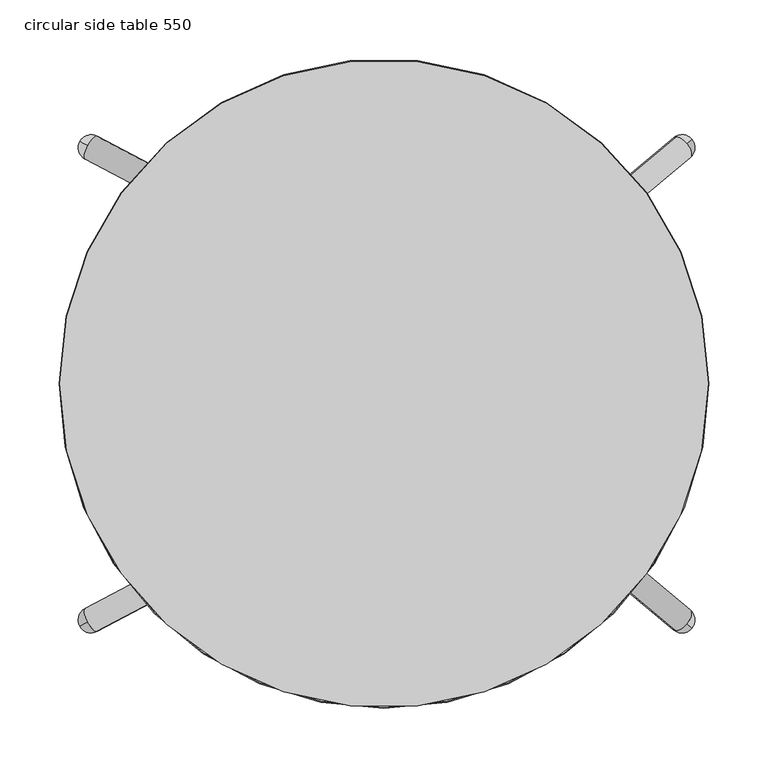
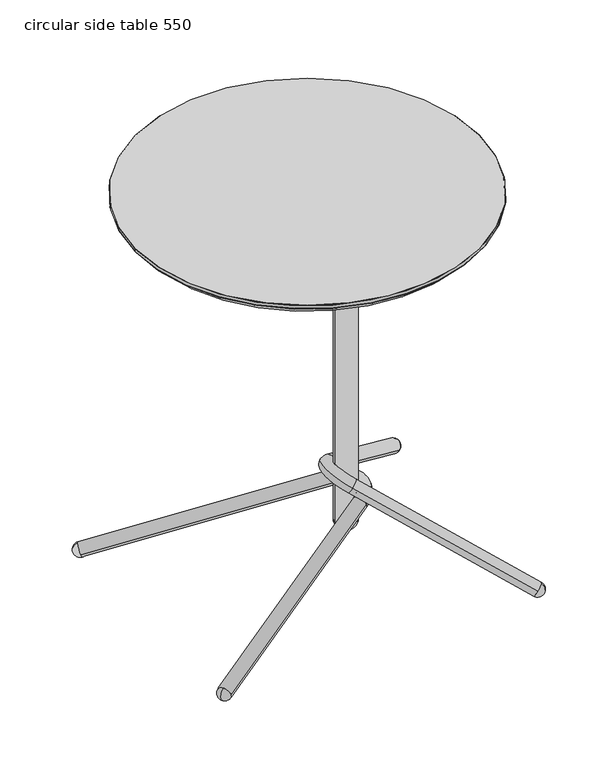
"""IFC4 building model written with IfcOpenShell, lengths in millimetres: furniture geometry, circular side table 550."""

from ifc_helpers import new_model, si_unit, point, frame, origin, place, context, project, spatial, polyline, circle_curve, ellipse_curve, trimmed, source, transform, mapped, element, save
from ifc_brep_helpers import plane_surface, cylinder_surface, revolved_surface, advanced_brep


def circular_side_table_550_7d80e540(model_context):
    return source(origin(), model_context, "Body", "AdvancedBrep", [
        advanced_brep(
        [(120.000041, 49.9999974, 631.9999893), (-39.999964, 49.9999974, 631.9999893), (-49.999964, 39.9999974, 631.9999893), (-49.999964, -40.0000034, 631.9999893), (-39.999964, -50.0000034, 631.9999893), (120.000041, -50.0000034, 631.9999893), (130.000041, -40.0000034, 631.9999893), (130.000041, 39.9999974, 631.9999893), (-47.4693331, 40.0000112, 631.9999893), (-32.5306167, 40.0000112, 631.9999893), (-47.4693331, -40.0000112, 631.9999893), (-32.5306167, -40.0000112, 631.9999893), (127.46941, 40.0000112, 631.9999893), (112.5306936, 40.0000112, 631.9999893), (127.46941, -40.0000112, 631.9999893), (112.5306936, -40.0000112, 631.9999893), (47.4693967, 40.0000112, 631.9999893), (32.5306803, 40.0000112, 631.9999893), (47.4693967, -40.0000112, 631.9999893), (32.5306803, -40.0000112, 631.9999893), (120.000041, 49.9999974, 627.0000038), (130.000041, 39.9999974, 627.0000038), (130.000041, -40.0000034, 627.0000038), (120.000041, -50.0000034, 627.0000038), (-39.999964, -50.0000034, 627.0000038), (-49.999964, -40.0000034, 627.0000038), (-49.999964, 39.9999974, 627.0000038), (-39.999964, 49.9999974, 627.0000038), (-47.4693331, 40.0000112, 627.0000038), (-32.5306167, 40.0000112, 627.0000038), (-47.4693331, -40.0000112, 627.0000038), (-32.5306167, -40.0000112, 627.0000038), (127.46941, 40.0000112, 627.0000038), (112.5306936, 40.0000112, 627.0000038), (127.46941, -40.0000112, 627.0000038), (112.5306936, -40.0000112, 627.0000038), (47.4693967, 40.0000112, 627.0000038), (32.5306803, 40.0000112, 627.0000038), (47.4693967, -40.0000112, 627.0000038), (32.5306803, -40.0000112, 627.0000038), (78.7484697, 0.0, 627.0000038), (43.7484682, 0.0, 627.0000038), (78.7484697, 0.0, 76.9999996), (43.7484682, 0.0, 76.9999996), (61.2484689, 0.0, 59.4999989)],
        [
            (0, 1),
            (1, 2, circle_curve(frame((-39.999964, 39.9999974, 631.9999893), z_axis=(0.0, 0.0, 1.0), x_axis=(1.0, 0.0, 0.0)), 10.0)),
            (2, 3),
            (3, 4, circle_curve(frame((-39.999964, -40.0000034, 631.9999893), z_axis=(0.0, 0.0, 1.0), x_axis=(1.0, 0.0, 0.0)), 10.0)),
            (4, 5),
            (5, 6, circle_curve(frame((120.000041, -40.0000034, 631.9999893), z_axis=(0.0, 0.0, 1.0), x_axis=(1.0, 0.0, 0.0)), 10.0)),
            (6, 7),
            (7, 0, circle_curve(frame((120.000041, 39.9999974, 631.9999893), z_axis=(0.0, 0.0, 1.0), x_axis=(1.0, 0.0, 0.0)), 10.0)),
            (8, 9, circle_curve(frame((-39.9999749, 40.0000112, 631.9999893), z_axis=(0.0, 0.0, -1.0), x_axis=(1.0, 0.0, 0.0)), 7.4693582)),
            (9, 8, circle_curve(frame((-39.9999749, 40.0000112, 631.9999893), z_axis=(0.0, 0.0, -1.0), x_axis=(1.0, 0.0, 0.0)), 7.4693582)),
            (10, 11, circle_curve(frame((-39.9999749, -40.0000112, 631.9999893), z_axis=(0.0, 0.0, -1.0), x_axis=(1.0, 0.0, 0.0)), 7.4693582)),
            (11, 10, circle_curve(frame((-39.9999749, -40.0000112, 631.9999893), z_axis=(0.0, 0.0, -1.0), x_axis=(1.0, 0.0, 0.0)), 7.4693582)),
            (12, 13, circle_curve(frame((120.0000518, 40.0000112, 631.9999893), z_axis=(0.0, 0.0, -1.0), x_axis=(-1.0, 0.0, 0.0)), 7.4693582)),
            (13, 12, circle_curve(frame((120.0000518, 40.0000112, 631.9999893), z_axis=(0.0, 0.0, -1.0), x_axis=(-1.0, 0.0, 0.0)), 7.4693582)),
            (14, 15, circle_curve(frame((120.0000518, -40.0000112, 631.9999893), z_axis=(0.0, 0.0, -1.0), x_axis=(-1.0, 0.0, 0.0)), 7.4693582)),
            (15, 14, circle_curve(frame((120.0000518, -40.0000112, 631.9999893), z_axis=(0.0, 0.0, -1.0), x_axis=(-1.0, 0.0, 0.0)), 7.4693582)),
            (16, 17, circle_curve(frame((40.0000385, 40.0000112, 631.9999893), z_axis=(0.0, 0.0, -1.0), x_axis=(-1.0, 0.0, 0.0)), 7.4693582)),
            (17, 16, circle_curve(frame((40.0000385, 40.0000112, 631.9999893), z_axis=(0.0, 0.0, -1.0), x_axis=(-1.0, 0.0, 0.0)), 7.4693582)),
            (18, 19, circle_curve(frame((40.0000385, -40.0000112, 631.9999893), z_axis=(0.0, 0.0, -1.0), x_axis=(-1.0, 0.0, 0.0)), 7.4693582)),
            (19, 18, circle_curve(frame((40.0000385, -40.0000112, 631.9999893), z_axis=(0.0, 0.0, -1.0), x_axis=(-1.0, 0.0, 0.0)), 7.4693582)),
            (20, 21, circle_curve(frame((120.000041, 39.9999974, 627.0000038), z_axis=(0.0, 0.0, -1.0), x_axis=(1.0, 0.0, 0.0)), 10.0)),
            (21, 22),
            (22, 23, circle_curve(frame((120.000041, -40.0000034, 627.0000038), z_axis=(0.0, 0.0, -1.0), x_axis=(1.0, 0.0, 0.0)), 10.0)),
            (23, 24),
            (24, 25, circle_curve(frame((-39.999964, -40.0000034, 627.0000038), z_axis=(0.0, 0.0, -1.0), x_axis=(1.0, 0.0, 0.0)), 10.0)),
            (25, 26),
            (26, 27, circle_curve(frame((-39.999964, 39.9999974, 627.0000038), z_axis=(0.0, 0.0, -1.0), x_axis=(1.0, 0.0, 0.0)), 10.0)),
            (27, 20),
            (28, 29, circle_curve(frame((-39.9999749, 40.0000112, 627.0000038), z_axis=(0.0, 0.0, 1.0), x_axis=(1.0, 0.0, 0.0)), 7.4693582)),
            (29, 28, circle_curve(frame((-39.9999749, 40.0000112, 627.0000038), z_axis=(0.0, 0.0, 1.0), x_axis=(1.0, 0.0, 0.0)), 7.4693582)),
            (30, 31, circle_curve(frame((-39.9999749, -40.0000112, 627.0000038), z_axis=(0.0, 0.0, 1.0), x_axis=(1.0, 0.0, 0.0)), 7.4693582)),
            (31, 30, circle_curve(frame((-39.9999749, -40.0000112, 627.0000038), z_axis=(0.0, 0.0, 1.0), x_axis=(1.0, 0.0, 0.0)), 7.4693582)),
            (32, 33, circle_curve(frame((120.0000518, 40.0000112, 627.0000038), z_axis=(0.0, 0.0, 1.0), x_axis=(-1.0, 0.0, 0.0)), 7.4693582)),
            (33, 32, circle_curve(frame((120.0000518, 40.0000112, 627.0000038), z_axis=(0.0, 0.0, 1.0), x_axis=(-1.0, 0.0, 0.0)), 7.4693582)),
            (34, 35, circle_curve(frame((120.0000518, -40.0000112, 627.0000038), z_axis=(0.0, 0.0, 1.0), x_axis=(-1.0, 0.0, 0.0)), 7.4693582)),
            (35, 34, circle_curve(frame((120.0000518, -40.0000112, 627.0000038), z_axis=(0.0, 0.0, 1.0), x_axis=(-1.0, 0.0, 0.0)), 7.4693582)),
            (36, 37, circle_curve(frame((40.0000385, 40.0000112, 627.0000038), z_axis=(0.0, 0.0, 1.0), x_axis=(-1.0, 0.0, 0.0)), 7.4693582)),
            (37, 36, circle_curve(frame((40.0000385, 40.0000112, 627.0000038), z_axis=(0.0, 0.0, 1.0), x_axis=(-1.0, 0.0, 0.0)), 7.4693582)),
            (38, 39, circle_curve(frame((40.0000385, -40.0000112, 627.0000038), z_axis=(0.0, 0.0, 1.0), x_axis=(-1.0, 0.0, 0.0)), 7.4693582)),
            (39, 38, circle_curve(frame((40.0000385, -40.0000112, 627.0000038), z_axis=(0.0, 0.0, 1.0), x_axis=(-1.0, 0.0, 0.0)), 7.4693582)),
            (40, 41, circle_curve(frame((61.2484689, 0.0, 627.0000038), z_axis=(0.0, 0.0, 1.0), x_axis=(-1.0, 0.0, 0.0)), 17.5000007)),
            (41, 40, circle_curve(frame((61.2484689, 0.0, 627.0000038), z_axis=(0.0, 0.0, 1.0), x_axis=(-1.0, 0.0, 0.0)), 17.5000007)),
            (0, 20),
            (27, 1),
            (26, 2),
            (25, 3),
            (24, 4),
            (23, 5),
            (22, 6),
            (21, 7),
            (8, 28),
            (29, 9),
            (10, 30),
            (31, 11),
            (12, 32),
            (33, 13),
            (14, 34),
            (35, 15),
            (16, 36),
            (37, 17),
            (18, 38),
            (39, 19),
            (42, 43, circle_curve(frame((61.2484689, 0.0, 76.9999996), z_axis=(0.0, 0.0, 1.0), x_axis=(-1.0, 0.0, 0.0)), 17.5000007)),
            (43, 41),
            (40, 42),
            (43, 42, circle_curve(frame((61.2484689, 0.0, 76.9999996), z_axis=(0.0, 0.0, 1.0), x_axis=(-1.0, 0.0, 0.0)), 17.5000007)),
            (42, 44, circle_curve(frame((61.2484689, 0.0, 76.9999996), z_axis=(0.0, 1.0, 0.0), x_axis=(-1.0, 0.0, 0.0)), 17.5000007)),
            (44, 43, circle_curve(frame((61.2484689, 0.0, 76.9999996), z_axis=(0.0, 1.0, 0.0), x_axis=(1.0, 0.0, 0.0)), 17.5000007)),
        ],
        [
            plane_surface(frame((-39.9999628, 49.9999974, 631.9999893), z_axis=(0.0, 0.0, 1.0), x_axis=(-1.0, 0.0, 0.0))),
            plane_surface(frame((-39.9999628, 49.9999974, 627.0000038), z_axis=(0.0, 0.0, -1.0), x_axis=(1.0, 0.0, 0.0))),
            plane_surface(frame((120.000041, 49.9999974, 631.9999893), z_axis=(0.0, 1.0, 0.0), x_axis=(0.0, 0.0, -1.0))),
            cylinder_surface(frame((-39.999964, 39.9999974, 627.0000038), z_axis=(0.0, 0.0, 1.0), x_axis=(1.0, 0.0, 0.0)), 10.0),
            plane_surface(frame((-49.999964, 39.9999974, 631.9999893), z_axis=(-1.0, 0.0, 0.0), x_axis=(0.0, 0.0, -1.0))),
            cylinder_surface(frame((-39.999964, -40.0000034, 627.0000038), z_axis=(0.0, 0.0, 1.0), x_axis=(1.0, 0.0, 0.0)), 10.0),
            plane_surface(frame((-39.999964, -50.0000034, 631.9999893), z_axis=(0.0, -1.0, 0.0), x_axis=(0.0, 0.0, -1.0))),
            cylinder_surface(frame((120.000041, -40.0000034, 627.0000038), z_axis=(0.0, 0.0, 1.0), x_axis=(1.0, 0.0, 0.0)), 10.0),
            plane_surface(frame((130.000041, -40.0000034, 631.9999893), z_axis=(1.0, 0.0, 0.0), x_axis=(0.0, 0.0, -1.0))),
            cylinder_surface(frame((120.000041, 39.9999974, 627.0000038), z_axis=(0.0, 0.0, 1.0), x_axis=(1.0, 0.0, 0.0)), 10.0),
            revolved_surface(polyline([(-32.530616699999996, 40.0000112, 627.0000038), (-32.530616699999996, 40.0000112, 631.9999893)]), (-39.9999749, 40.0000112, 0.0), (0.0, 0.0, -1.0)),
            revolved_surface(polyline([(-32.530616699999996, -40.0000112, 627.0000038), (-32.530616699999996, -40.0000112, 631.9999893)]), (-39.9999749, -40.0000112, 0.0), (0.0, 0.0, -1.0)),
            revolved_surface(polyline([(112.53069359999999, 40.0000112, 627.0000038), (112.53069359999999, 40.0000112, 631.9999893)]), (120.0000518, 40.0000112, 0.0), (0.0, 0.0, -1.0)),
            revolved_surface(polyline([(112.53069359999999, -40.0000112, 627.0000038), (112.53069359999999, -40.0000112, 631.9999893)]), (120.0000518, -40.0000112, 0.0), (0.0, 0.0, -1.0)),
            revolved_surface(polyline([(32.5306803, 40.0000112, 627.0000038), (32.5306803, 40.0000112, 631.9999893)]), (40.0000385, 40.0000112, 0.0), (0.0, 0.0, -1.0)),
            revolved_surface(polyline([(32.5306803, -40.0000112, 627.0000038), (32.5306803, -40.0000112, 631.9999893)]), (40.0000385, -40.0000112, 0.0), (0.0, 0.0, -1.0)),
            cylinder_surface(frame((61.2484689, 0.0, 68.2499992), z_axis=(0.0, 0.0, -1.0), x_axis=(-1.0, 0.0, 0.0)), 17.5000007),
            revolved_surface(trimmed(ellipse_curve(frame((61.2484689, 0.0, 76.9999996), z_axis=(0.0, -1.0, 0.0), x_axis=(1.0, 0.0, 0.0)), 17.5000007, 17.5000007), [point((43.7484682, 0.0, 76.9999996))], [point((61.2484689, 0.0, 59.4999989))], True, "CARTESIAN"), (61.2484689, 0.0, 68.2499992), (0.0, 0.0, -1.0)),
        ],
        [
            (0, [[1, 2, 3, 4, 5, 6, 7, 8], [9, 10], [11, 12], [13, 14], [15, 16], [17, 18], [19, 20]]),
            (1, [[21, 22, 23, 24, 25, 26, 27, 28], [29, 30], [31, 32], [33, 34], [35, 36], [37, 38], [39, 40], [41, 42]]),
            (2, [[-1, 43, -28, 44]]),
            (3, [[-2, -44, -27, 45]]),
            (4, [[-3, -45, -26, 46]]),
            (5, [[-4, -46, -25, 47]]),
            (6, [[-5, -47, -24, 48]]),
            (7, [[-6, -48, -23, 49]]),
            (8, [[-7, -49, -22, 50]]),
            (9, [[-8, -50, -21, -43]]),
            (10, [[-9, 51, -30, 52]]),
            (10, [[-10, -52, -29, -51]]),
            (11, [[-11, 53, -32, 54]]),
            (11, [[-12, -54, -31, -53]]),
            (12, [[-13, 55, -34, 56]]),
            (12, [[-14, -56, -33, -55]]),
            (13, [[-15, 57, -36, 58]]),
            (13, [[-16, -58, -35, -57]]),
            (14, [[-17, 59, -38, 60]]),
            (14, [[-18, -60, -37, -59]]),
            (15, [[-19, 61, -40, 62]]),
            (15, [[-20, -62, -39, -61]]),
            (16, [[63, 64, -41, 65]]),
            (16, [[66, -65, -42, -64]]),
            (17, [[-63, 67, 68]]),
            (17, [[-66, -68, -67]]),
        ],
    ),
        advanced_brep(
        [(58.7468351, 25.9816516, 122.5540056), (67.9302472, 45.69187, 125.8964943), (-243.1827803, 209.8487928, 12.6606128), (-250.7555988, 201.5666496, 21.4602207), (-252.3661924, 190.1385743, 9.3181241), (-244.7933739, 198.4207175, 0.5185162), (58.7468351, -25.9816516, 122.5540056), (67.9302472, -45.69187, 125.8964943), (-252.3661924, -190.1385743, 9.3181241), (-250.7555988, -201.5666496, 21.4602207), (-243.1827803, -209.8487928, 12.6606128), (-244.7933739, -198.4207175, 0.5185162), (-257.0352597, 204.8800751, 7.6187226), (-257.0352597, -204.8800751, 7.6187226)],
        [
            (0, 1, circle_curve(frame((63.3385411, 35.8367608, 124.22525), z_axis=(-0.8418884918336852, 0.4442174127144383, -0.3064223515987259), x_axis=(0.41742782475236617, 0.8959190199126763, 0.15193130316434977)), 11.0)),
            (1, 2),
            (2, 3, circle_curve(frame((-247.7744863, 199.9936836, 10.9893685), z_axis=(0.8418884918336852, -0.4442174127144383, 0.3064223515987259), x_axis=(0.41742782475236617, 0.8959190199126763, 0.15193130316434977)), 11.0)),
            (3, 4, circle_curve(frame((-247.7744863, 199.9936836, 10.9893685), z_axis=(0.8418884918336852, -0.4442174127144383, 0.3064223515987259), x_axis=(0.41742782475236617, 0.8959190199126763, 0.15193130316434977)), 11.0)),
            (4, 0),
            (1, 0, circle_curve(frame((63.3385411, 35.8367608, 124.22525), z_axis=(-0.8418884918336852, 0.4442174127144383, -0.3064223515987259), x_axis=(0.41742782475236617, 0.8959190199126763, 0.15193130316434977)), 11.0)),
            (4, 5, circle_curve(frame((-247.7744863, 199.9936836, 10.9893685), z_axis=(0.8418884918336852, -0.4442174127144383, 0.3064223515987259), x_axis=(0.41742782475236617, 0.8959190199126763, 0.15193130316434977)), 11.0)),
            (5, 2, circle_curve(frame((-247.7744863, 199.9936836, 10.9893685), z_axis=(0.8418884918336852, -0.4442174127144383, 0.3064223515987259), x_axis=(0.41742782475236617, 0.8959190199126763, 0.15193130316434977)), 11.0)),
            (0, 6, circle_curve(frame((46.6414281, 0.0, 118.1479978), z_axis=(0.3420201433256684, 0.0, -0.9396926207859085), x_axis=(0.4174278247523651, 0.8959190199126768, 0.1519313031643494)), 29.0)),
            (6, 7, circle_curve(frame((63.3385411, -35.8367608, 124.22525), z_axis=(0.841888491833689, 0.4442174127144305, 0.30642235159872766), x_axis=(0.41742782475235873, -0.8959190199126802, 0.15193130316434714)), 11.0)),
            (7, 1, circle_curve(frame((46.6414281, 0.0, 118.1479978), z_axis=(-0.3420201433256684, 0.0, 0.9396926207859085), x_axis=(0.4174278247523651, 0.8959190199126768, 0.1519313031643494)), 51.0)),
            (7, 6, circle_curve(frame((63.3385411, -35.8367608, 124.22525), z_axis=(0.8418884918336871, 0.44421741271443393, 0.306422351598727), x_axis=(0.417427824752362, -0.8959190199126783, 0.1519313031643483)), 11.0)),
            (6, 8),
            (8, 9, circle_curve(frame((-247.7744863, -199.9936836, 10.9893685), z_axis=(0.8418884918336853, 0.44421741271443815, 0.3064223515987258), x_axis=(0.41742782475236606, -0.8959190199126764, 0.15193130316434972)), 11.0)),
            (9, 10, circle_curve(frame((-247.7744863, -199.9936836, 10.9893685), z_axis=(0.8418884918336853, 0.44421741271443815, 0.3064223515987258), x_axis=(0.41742782475236606, -0.8959190199126764, 0.15193130316434972)), 11.0)),
            (10, 7),
            (10, 11, circle_curve(frame((-247.7744863, -199.9936836, 10.9893685), z_axis=(0.8418884918336853, 0.44421741271443815, 0.3064223515987258), x_axis=(0.41742782475236606, -0.8959190199126764, 0.15193130316434972)), 11.0)),
            (11, 8, circle_curve(frame((-247.7744863, -199.9936836, 10.9893685), z_axis=(0.8418884918336853, 0.44421741271443815, 0.3064223515987258), x_axis=(0.41742782475236606, -0.8959190199126764, 0.15193130316434972)), 11.0)),
            (12, 5, circle_curve(frame((-247.7744863, 199.9936836, 10.9893685), z_axis=(-0.46666607762581996, -0.8844335882322268, 0.0), x_axis=(0.8418884918336852, -0.4442174127145285, 0.3064223515985956)), 11.0)),
            (3, 12, circle_curve(frame((-247.7744863, 199.9936836, 10.9893685), z_axis=(-0.46666607762567935, -0.884433588232301, 0.0), x_axis=(0.8418884918336867, -0.44421741271434156, 0.30642235159886205)), 11.0)),
            (11, 13, circle_curve(frame((-247.7744863, -199.9936836, 10.9893685), z_axis=(-0.46666607762581996, 0.8844335882322268, 0.0), x_axis=(0.8418884918336852, 0.4442174127145285, 0.3064223515985956)), 11.0)),
            (13, 9, circle_curve(frame((-247.7744863, -199.9936836, 10.9893685), z_axis=(-0.46666607762567935, 0.884433588232301, 0.0), x_axis=(0.8418884918336867, 0.44421741271434156, 0.30642235159886205)), 11.0)),
        ],
        [
            cylinder_surface(frame((-277.9675281, 215.9248609, 0.0), z_axis=(-0.8418884918336854, 0.44421741271443843, -0.30642235159872594), x_axis=(0.41742782475236617, 0.8959190199126763, 0.15193130316434977)), 11.0),
            revolved_surface(trimmed(ellipse_curve(frame((63.3385411, 35.8367608, 124.22525), z_axis=(-0.841888491833686, 0.444217412714437, -0.30642235159872566), x_axis=(0.41742782475236484, 0.8959190199126769, 0.15193130316434933)), 11.0, 11.0), [point((58.7468351, 25.9816516, 122.5540056))], [point((67.9302472, 45.69187, 125.8964943))], True, "CARTESIAN"), (46.6414281, 0.0, 118.1479978), (0.3420201433256684, 0.0, -0.9396926207859085)),
            revolved_surface(trimmed(ellipse_curve(frame((63.3385411, 35.8367608, 124.22525), z_axis=(-0.841888491833686, 0.444217412714437, -0.30642235159872566), x_axis=(0.41742782475236484, 0.8959190199126769, 0.15193130316434933)), 11.0, 11.0), [point((67.9302472, 45.69187, 125.8964943))], [point((58.7468351, 25.9816516, 122.5540056))], True, "CARTESIAN"), (46.6414281, 0.0, 118.1479978), (0.3420201433256684, 0.0, -0.9396926207859085)),
            cylinder_surface(frame((63.3385411, -35.8367608, 124.22525), z_axis=(0.8418884918336855, 0.44421741271443826, 0.30642235159872583), x_axis=(0.41742782475236606, -0.8959190199126764, 0.15193130316434972)), 11.0),
            revolved_surface(trimmed(ellipse_curve(frame((-247.7744863, 199.9936836, 10.9893685), z_axis=(0.46666607762567935, 0.884433588232301, 0.0), x_axis=(0.8418884918336867, -0.44421741271434156, 0.30642235159886205)), 11.0, 11.0), [point((-257.0352597, 204.8800751, 7.6187226))], [point((-250.7555988, 201.5666496, 21.4602207))], True, "CARTESIAN"), (-251.664601, 202.0462792, 9.5734825), (0.841888491833686, -0.44421741271443504, 0.3064223515987288)),
            revolved_surface(trimmed(ellipse_curve(frame((-247.7744863, 199.9936836, 10.9893685), z_axis=(0.46666607762567663, 0.8844335882323024, 0.0), x_axis=(0.8418884918336883, -0.44421741271433873, 0.3064223515988621)), 11.0, 11.0), [point((-257.0352597, 204.8800751, 7.6187226))], [point((-250.7555988, 201.5666496, 21.4602207))], True, "CARTESIAN"), (-251.664601, 202.0462792, 9.5734825), (0.841888491833686, -0.44421741271443504, 0.3064223515987288)),
            revolved_surface(trimmed(ellipse_curve(frame((-247.7744863, -199.9936836, 10.9893685), z_axis=(0.46666607762567935, -0.884433588232301, 0.0), x_axis=(0.8418884918336867, 0.44421741271434156, 0.30642235159886205)), 11.0, 11.0), [point((-250.7555988, -201.5666496, 21.4602207))], [point((-257.0352597, -204.8800751, 7.6187226))], True, "CARTESIAN"), (-251.664601, -202.0462792, 9.5734825), (-0.841888491833686, -0.44421741271443504, -0.3064223515987288)),
            revolved_surface(trimmed(ellipse_curve(frame((-247.7744863, -199.9936836, 10.9893685), z_axis=(0.46666607762567663, -0.8844335882323024, 0.0), x_axis=(0.8418884918336883, 0.44421741271433873, 0.3064223515988621)), 11.0, 11.0), [point((-250.7555988, -201.5666496, 21.4602207))], [point((-257.0352597, -204.8800751, 7.6187226))], True, "CARTESIAN"), (-251.664601, -202.0462792, 9.5734825), (-0.841888491833686, -0.44421741271443504, -0.3064223515987288)),
        ],
        [
            (0, [[1, 2, 3, 4, 5]]),
            (0, [[6, -5, 7, 8, -2]]),
            (1, [[-1, 9, 10, 11]]),
            (2, [[-6, -11, 12, -9]]),
            (3, [[-10, 13, 14, 15, 16]]),
            (3, [[-12, -16, 17, 18, -13]]),
            (4, [[19, -7, -4, 20]]),
            (5, [[-19, -20, -3, -8]]),
            (6, [[21, 22, -14, -18]]),
            (7, [[-21, -17, -15, -22]]),
        ],
    ),
        advanced_brep(
        [(57.5144405, 23.9910848, 150.6373501), (47.4708105, 42.1912168, 157.8401753), (247.2031924, 209.1000136, 14.6013824), (248.155534, 196.5992426, 1.3628234), (257.2468224, 190.8998816, 7.3985572), (256.2944809, 203.4006527, 20.6371162), (57.5144414, -23.9910822, 150.6373494), (47.4708121, -42.1912148, 157.8401741), (257.2468303, -190.8998679, 7.3985515), (248.1555419, -196.5992292, 1.3628176), (247.203201, -209.1000005, 14.6013763), (256.2944894, -203.4006392, 20.6371102), (259.6200001, -206.1796424, 5.6966243), (259.6199917, 206.1796563, 5.6966303)],
        [
            (0, 1, circle_curve(frame((52.4926255, 33.0911508, 154.2387627), z_axis=(0.6722712955826541, 0.5617916936357265, -0.4821217668779558), x_axis=(-0.45652863681473854, 0.8272787274926765, 0.3274011466170734)), 11.0)),
            (1, 2),
            (2, 3, circle_curve(frame((252.2250074, 199.9999476, 10.9999698), z_axis=(-0.6722712955826541, -0.5617916936357265, 0.4821217668779558), x_axis=(-0.45652863681473854, 0.8272787274926765, 0.3274011466170734)), 11.0)),
            (3, 4, circle_curve(frame((252.2250074, 199.9999476, 10.9999698), z_axis=(-0.6722712955826541, -0.5617916936357265, 0.4821217668779558), x_axis=(-0.45652863681473854, 0.8272787274926765, 0.3274011466170734)), 11.0)),
            (4, 0),
            (1, 0, circle_curve(frame((52.4926255, 33.0911508, 154.2387627), z_axis=(0.6722712955826541, 0.5617916936357265, -0.4821217668779558), x_axis=(-0.45652863681473854, 0.8272787274926765, 0.3274011466170734)), 11.0)),
            (4, 5, circle_curve(frame((252.2250074, 199.9999476, 10.9999698), z_axis=(-0.6722712955826541, -0.5617916936357265, 0.4821217668779558), x_axis=(-0.45652863681473854, 0.8272787274926765, 0.3274011466170734)), 11.0)),
            (5, 2, circle_curve(frame((252.2250074, 199.9999476, 10.9999698), z_axis=(-0.6722712955826541, -0.5617916936357265, 0.4821217668779558), x_axis=(-0.45652863681473854, 0.8272787274926765, 0.3274011466170734)), 11.0)),
            (0, 6, circle_curve(frame((70.753771, 1.7e-06, 141.1427168), z_axis=(0.5827803264556007, 0.0, 0.8126297380088324), x_axis=(-0.45652863681474215, 0.8272787274926735, 0.32740114661707603)), 29.0)),
            (6, 7, circle_curve(frame((52.4926268, -33.0911485, 154.2387618), z_axis=(-0.6722713171214564, 0.5617916546051102, 0.48212178232458525), x_axis=(-0.4565286050972992, -0.8272787539977398, 0.3274011238707981)), 11.0)),
            (7, 1, circle_curve(frame((70.753771, 1.7e-06, 141.1427168), z_axis=(-0.5827803264556007, 0.0, -0.8126297380088324), x_axis=(-0.45652863681474215, 0.8272787274926735, 0.32740114661707603)), 51.0)),
            (7, 6, circle_curve(frame((52.4926268, -33.0911485, 154.2387618), z_axis=(-0.6722713171214549, 0.5617916546051127, 0.48212178232458425), x_axis=(-0.4565286050973013, -0.8272787539977379, 0.32740112387079956)), 11.0)),
            (6, 8),
            (8, 9, circle_curve(frame((252.2250156, -199.9999342, 10.9999639), z_axis=(-0.6722713171214557, 0.5617916546051115, 0.4821217823245848), x_axis=(-0.4565286050973002, -0.8272787539977388, 0.32740112387079884)), 11.0)),
            (9, 10, circle_curve(frame((252.2250156, -199.9999342, 10.9999639), z_axis=(-0.6722713171214557, 0.5617916546051115, 0.4821217823245848), x_axis=(-0.4565286050973002, -0.8272787539977388, 0.32740112387079884)), 11.0)),
            (10, 7),
            (10, 11, circle_curve(frame((252.2250156, -199.9999342, 10.9999639), z_axis=(-0.6722713171214557, 0.5617916546051115, 0.4821217823245848), x_axis=(-0.4565286050973002, -0.8272787539977388, 0.32740112387079884)), 11.0)),
            (11, 8, circle_curve(frame((252.2250156, -199.9999342, 10.9999639), z_axis=(-0.6722713171214557, 0.5617916546051115, 0.4821217823245848), x_axis=(-0.4565286050973002, -0.8272787539977388, 0.32740112387079884)), 11.0)),
            (9, 12, circle_curve(frame((252.2250156, -199.9999342, 10.9999639), z_axis=(-0.6412383916308964, -0.7673417264156964, 0.0), x_axis=(0.6722713171215101, -0.5617916546050431, -0.4821217823245884)), 11.0)),
            (12, 11, circle_curve(frame((252.2250156, -199.9999342, 10.9999639), z_axis=(-0.6412383916310197, -0.7673417264155933, 0.0), x_axis=(0.6722713171213875, -0.5617916546051772, -0.48212178232460307)), 11.0)),
            (13, 3, circle_curve(frame((252.2250074, 199.9999476, 10.9999698), z_axis=(-0.6412384299595701, 0.767341694385875, 0.0), x_axis=(0.3699521735068246, 0.30915503827734025, 0.8761041899370832)), 11.0)),
            (5, 13, circle_curve(frame((252.2250074, 199.9999476, 10.9999698), z_axis=(-0.6412384299596402, 0.7673416943858165, 0.0), x_axis=(-0.36995209348604097, -0.30915497140700227, -0.8761042473242733)), 11.0)),
        ],
        [
            cylinder_surface(frame((267.5633813, 212.8176466, 0.0), z_axis=(0.6722712955826541, 0.5617916936357265, -0.4821217668779558), x_axis=(-0.45652863681473854, 0.8272787274926765, 0.3274011466170734)), 11.0),
            revolved_surface(trimmed(ellipse_curve(frame((52.4926255, 33.0911508, 154.2387627), z_axis=(0.6722712955826515, 0.5617916936357309, -0.4821217668779542), x_axis=(-0.4565286368147422, 0.8272787274926735, 0.3274011466170759)), 11.0, 11.0), [point((57.5144405, 23.9910848, 150.6373501))], [point((47.4708105, 42.1912168, 157.8401753))], True, "CARTESIAN"), (70.753771, 1.7e-06, 141.1427168), (0.5827803264556007, 0.0, 0.8126297380088324)),
            revolved_surface(trimmed(ellipse_curve(frame((52.4926255, 33.0911508, 154.2387627), z_axis=(0.6722712955826515, 0.5617916936357309, -0.4821217668779542), x_axis=(-0.4565286368147422, 0.8272787274926735, 0.3274011466170759)), 11.0, 11.0), [point((47.4708105, 42.1912168, 157.8401753))], [point((57.5144405, 23.9910848, 150.6373501))], True, "CARTESIAN"), (70.753771, 1.7e-06, 141.1427168), (0.5827803264556007, 0.0, 0.8126297380088324)),
            cylinder_surface(frame((52.4926268, -33.0911485, 154.2387618), z_axis=(-0.6722713171214557, 0.5617916546051115, 0.4821217823245848), x_axis=(-0.4565286050973002, -0.8272787539977388, 0.32740112387079884)), 11.0),
            revolved_surface(trimmed(ellipse_curve(frame((252.2250156, -199.9999342, 10.9999639), z_axis=(0.6412383916310197, 0.7673417264155933, 0.0), x_axis=(0.6722713171213875, -0.5617916546051772, -0.48212178232460307)), 11.0, 11.0), [point((256.2944894, -203.4006392, 20.6371102))], [point((259.6200001, -206.1796424, 5.6966243))], True, "CARTESIAN"), (265.0520868, -210.7190313, 1.8009838), (0.6722713171214488, -0.5617916546051102, -0.48212178232459574)),
            revolved_surface(trimmed(ellipse_curve(frame((252.2250156, -199.9999342, 10.9999639), z_axis=(0.6412383916310219, 0.7673417264155915, 0.0), x_axis=(0.6722713171213853, -0.5617916546051798, -0.48212178232460307)), 11.0, 11.0), [point((256.2944894, -203.4006392, 20.6371102))], [point((259.6200001, -206.1796424, 5.6966243))], True, "CARTESIAN"), (265.0520868, -210.7190313, 1.8009838), (0.6722713171214488, -0.5617916546051102, -0.48212178232459574)),
            revolved_surface(trimmed(ellipse_curve(frame((252.2250074, 199.9999476, 10.9999698), z_axis=(0.6412384299596402, -0.7673416943858165, 0.0), x_axis=(-0.36995209348604097, -0.30915497140700227, -0.8761042473242733)), 11.0, 11.0), [point((259.6199917, 206.1796563, 5.6966303))], [point((256.2944809, 203.4006527, 20.6371162))], True, "CARTESIAN"), (267.5633813, 212.8176466, 0.0), (-0.6722712955826509, -0.5617916936357265, 0.48212176687796016)),
            revolved_surface(trimmed(ellipse_curve(frame((252.2250074, 199.9999476, 10.9999698), z_axis=(0.6412384299596415, -0.7673416943858153, 0.0), x_axis=(-0.36995209348604097, -0.30915497140700227, -0.8761042473242733)), 11.0, 11.0), [point((259.6199917, 206.1796563, 5.6966303))], [point((256.2944809, 203.4006527, 20.6371162))], True, "CARTESIAN"), (267.5633813, 212.8176466, 0.0), (-0.6722712955826509, -0.5617916936357265, 0.48212176687796016)),
        ],
        [
            (0, [[1, 2, 3, 4, 5]]),
            (0, [[6, -5, 7, 8, -2]]),
            (1, [[-1, 9, 10, 11]]),
            (2, [[-6, -11, 12, -9]]),
            (3, [[-10, 13, 14, 15, 16]]),
            (3, [[-12, -16, 17, 18, -13]]),
            (4, [[19, 20, -17, -15]]),
            (5, [[-19, -14, -18, -20]]),
            (6, [[21, -3, -8, 22]]),
            (7, [[-21, -22, -7, -4]]),
        ],
    ),
        advanced_brep(
        [(-274.4407333, 0.0, 650.0), (274.4407333, 0.0, 650.0), (263.0000078, 0.0, 631.9999893), (-263.0000078, 0.0, 631.9999893), (-275.0000021, 0.0, 649.4407312), (-275.0000021, 0.0, 644.9071508), (275.0000021, 0.0, 644.9071508), (275.0000021, 0.0, 649.4407312), (274.358538, 0.0, 643.3585195), (-274.358538, 0.0, 643.3585195)],
        [
            (0, 1, circle_curve(frame((0.0, 0.0, 650.0), z_axis=(0.0, 0.0, 1.0), x_axis=(-1.0, 0.0, 0.0)), 274.4407333)),
            (1, 0, circle_curve(frame((0.0, 0.0, 650.0), z_axis=(0.0, 0.0, 1.0), x_axis=(1.0, 0.0, 0.0)), 274.4407333)),
            (2, 3, circle_curve(frame((0.0, 0.0, 631.9999893), z_axis=(0.0, 0.0, -1.0), x_axis=(-1.0, 0.0, 0.0)), 263.0000078)),
            (3, 2, circle_curve(frame((0.0, 0.0, 631.9999893), z_axis=(0.0, 0.0, -1.0), x_axis=(1.0, 0.0, 0.0)), 263.0000078)),
            (4, 5),
            (5, 6, circle_curve(frame((0.0, 0.0, 644.9071508), z_axis=(0.0, 0.0, 1.0), x_axis=(1.0, 0.0, 0.0)), 275.0000021)),
            (6, 7),
            (7, 4, circle_curve(frame((0.0, 0.0, 649.4407312), z_axis=(0.0, 0.0, -1.0), x_axis=(1.0, 0.0, 0.0)), 275.0000021)),
            (4, 7, circle_curve(frame((0.0, 0.0, 649.4407312), z_axis=(0.0, 0.0, -1.0), x_axis=(1.0, 0.0, 0.0)), 275.0000021)),
            (6, 5, circle_curve(frame((0.0, 0.0, 644.9071508), z_axis=(0.0, 0.0, 1.0), x_axis=(1.0, 0.0, 0.0)), 275.0000021)),
            (7, 1),
            (0, 4),
            (2, 8),
            (8, 9, circle_curve(frame((0.0, 0.0, 643.3585195), z_axis=(0.0, 0.0, -1.0), x_axis=(-1.0, 0.0, 0.0)), 274.358538)),
            (9, 3),
            (9, 8, circle_curve(frame((0.0, 0.0, 643.3585195), z_axis=(0.0, 0.0, -1.0), x_axis=(1.0, 0.0, 0.0)), 274.358538)),
            (8, 6, circle_curve(frame((272.8099067, 0.0, 644.9071508), z_axis=(0.0, -1.0, 0.0), x_axis=(-1.0, 0.0, 0.0)), 2.1900954)),
            (5, 9, circle_curve(frame((-272.8099067, 0.0, 644.9071508), z_axis=(0.0, -1.0, 0.0), x_axis=(1.0, 0.0, 0.0)), 2.1900954)),
        ],
        [
            plane_surface(frame((275.0000021, 0.0, 650.0), z_axis=(0.0, 0.0, 1.0), x_axis=(0.0, 1.0, 0.0))),
            plane_surface(frame((275.0000021, 0.0, 631.9999893), z_axis=(0.0, 0.0, -1.0), x_axis=(0.0, -1.0, 0.0))),
            cylinder_surface(frame((0.0, 0.0, 631.9999893), z_axis=(0.0, 0.0, 1.0), x_axis=(1.0, 0.0, 0.0)), 275.0000021),
            revolved_surface(polyline([(-275.0000021, 0.0, 649.4407312), (-274.4407333, 0.0, 650.0)]), (0.0, 0.0, 0.0), (0.0, 0.0, 1.0)),
            revolved_surface(polyline([(-263.0000078, 0.0, 631.9999893), (-274.358538, 0.0, 643.3585195)]), (0.0, 0.0, 0.0), (0.0, 0.0, 1.0)),
            revolved_surface(polyline([(275.0000021, 0.0, 649.4407312), (274.4407333, 0.0, 650.0)]), (0.0, 0.0, 0.0), (0.0, 0.0, 1.0)),
            revolved_surface(polyline([(263.0000078, 0.0, 631.9999893), (274.358538, 0.0, 643.3585195)]), (0.0, 0.0, 0.0), (0.0, 0.0, 1.0)),
            revolved_surface(trimmed(ellipse_curve(frame((-272.8099067, 0.0, 644.9071508), z_axis=(0.0, 1.0, 0.0), x_axis=(1.0, 0.0, 0.0)), 2.1900954, 2.1900954), [point((-274.358538, 0.0, 643.3585195))], [point((-275.0000021, 0.0, 644.9071508))], True, "CARTESIAN"), (0.0, 0.0, 0.0), (0.0, 0.0, 1.0)),
            revolved_surface(trimmed(ellipse_curve(frame((272.8099067, 0.0, 644.9071508), z_axis=(0.0, -1.0, 0.0), x_axis=(-1.0, 0.0, 0.0)), 2.1900954, 2.1900954), [point((274.358538, 0.0, 643.3585195))], [point((275.0000021, 0.0, 644.9071508))], True, "CARTESIAN"), (0.0, 0.0, 0.0), (0.0, 0.0, 1.0)),
        ],
        [
            (0, [[1, 2]]),
            (1, [[3, 4]]),
            (2, [[5, 6, 7, 8]]),
            (2, [[-5, 9, -7, 10]]),
            (3, [[11, -1, 12, -8]]),
            (4, [[13, 14, 15, -3]]),
            (5, [[-11, -9, -12, -2]]),
            (6, [[-13, -4, -15, 16]]),
            (7, [[-14, 17, -6, 18]]),
            (8, [[-16, -18, -10, -17]]),
        ],
    ),
    ])


if __name__ == "__main__":
    model = new_model("IFC4")
    model_context = context("Model", 3, world=origin())
    ifc_project = project(units=[si_unit("LENGTHUNIT", "METRE", prefix="MILLI")], contexts=[model_context])
    site = spatial("IfcSite", under=ifc_project)
    building = spatial("IfcBuilding", under=site)
    placement = place(None, origin())
    circular_side_table_550_shape = circular_side_table_550_7d80e540(model_context)
    element("IfcFurniture", 1, ObjectType="circular side table 550", at=placement, inside=building, context=model_context, shape_type="MappedRepresentation", body=[
        mapped(circular_side_table_550_shape, transform((0.0, 0.0, 0.0), x_axis=(1.0, 0.0, 0.0), y_axis=(0.0, 1.0, 0.0), z_axis=(0.0, 0.0, 1.0))),
    ])
    save(model, "model.ifc")
